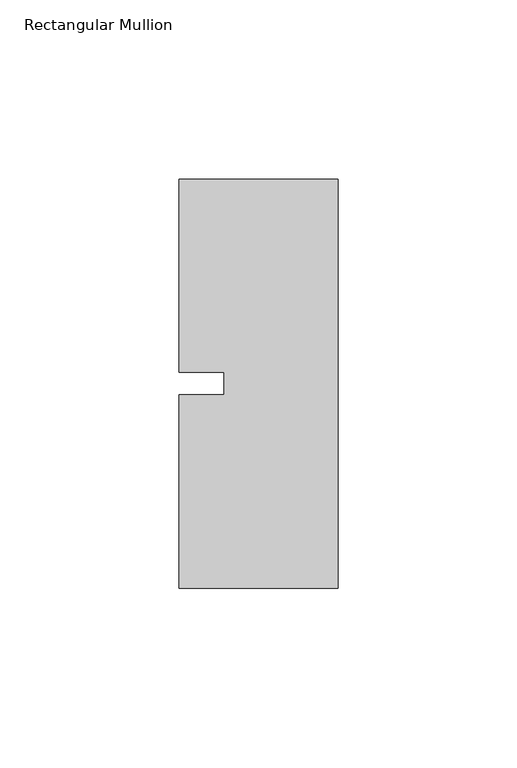
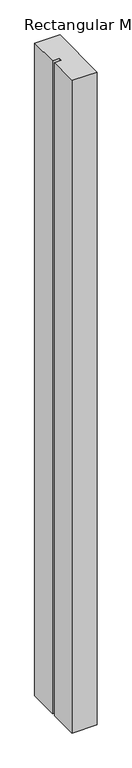
"""IFC4 building model written with IfcOpenShell, lengths in millimetres: member geometry, Rectangular Mullion."""

from ifc_helpers import new_model, si_unit, frame, origin, place, context, project, spatial, polyline, outline, extrude, source, transform, mapped, element, save


def rectangular_mullion_543faa97(model_context):
    return source(origin(), model_context, "Body", "SweptSolid", [
        extrude(outline(polyline([(26.5594027, 57.15), (26.5594027, -57.15), (-17.8905973, -57.15), (-17.8905973, -3.175), (-5.1905973, -3.175), (-5.1905973, 3.175), (-17.8905973, 3.175), (-17.8905973, 57.15), (26.5594027, 57.15)])), frame((0.0, 0.0, -1219.2), z_axis=(0.0, 0.0, 1.0), x_axis=(1.0, 0.0, 0.0)), (0.0, 0.0, 1.0), 1219.2),
    ])


if __name__ == "__main__":
    model = new_model("IFC4")
    model_context = context("Model", 3, world=origin())
    ifc_project = project(units=[si_unit("LENGTHUNIT", "METRE", prefix="MILLI")], contexts=[model_context])
    site = spatial("IfcSite", under=ifc_project)
    building = spatial("IfcBuilding", under=site)
    placement = place(None, origin())
    rectangular_mullion_shape = rectangular_mullion_543faa97(model_context)
    element("IfcMember", 1, ObjectType="Rectangular Mullion", at=placement, inside=building, context=model_context, shape_type="MappedRepresentation", body=[
        mapped(rectangular_mullion_shape, transform((0.0, 0.0, 0.0), x_axis=(1.0, 0.0, 0.0), y_axis=(0.0, 1.0, 0.0), z_axis=(0.0, 0.0, 1.0))),
    ])
    save(model, "model.ifc")
